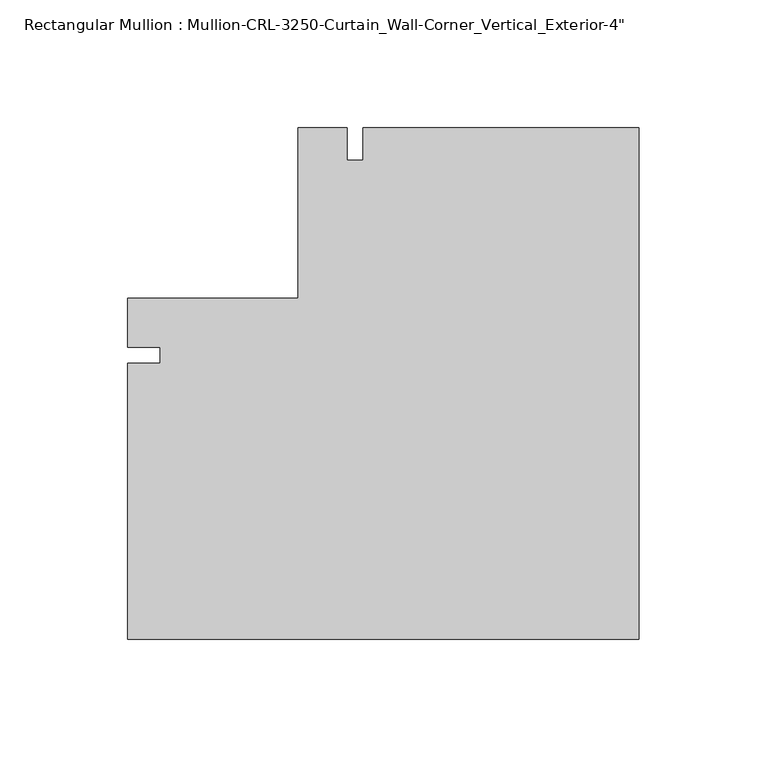
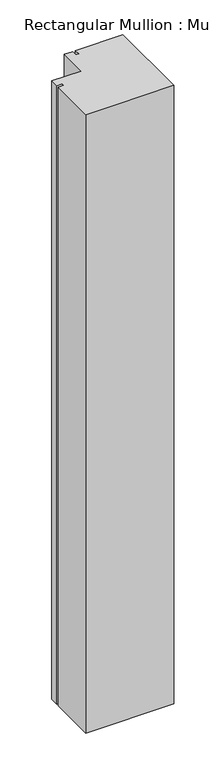
"""IFC4 building model written with IfcOpenShell, lengths in millimetres: member geometry."""

from ifc_helpers import new_model, si_unit, frame, origin, place, context, project, spatial, polyline, outline, extrude, source, transform, mapped, element, save


def member_411f262c(model_context):
    return source(origin(), model_context, "Body", "SweptSolid", [
        extrude(outline(polyline([(-200.0238258, 3.175), (-200.0238258, 22.2254168), (-133.3496929, 22.2254168), (-133.3496929, 88.9004137), (-114.2992762, 88.9004137), (-114.2992762, 76.2004137), (-107.9492762, 76.2004137), (-107.9492762, 88.9004137), (0.0, 88.9004137), (0.0, -111.1242762), (-200.0238258, -111.1242762), (-200.0238258, -3.175), (-187.3238258, -3.175), (-187.3238258, 3.175), (-200.0238258, 3.175)])), frame((0.0, 0.0, -1485.9), z_axis=(0.0, 0.0, 1.0), x_axis=(1.0, 0.0, 0.0)), (0.0, 0.0, 1.0), 1485.9),
    ])


if __name__ == "__main__":
    model = new_model("IFC4")
    model_context = context("Model", 3, world=origin())
    ifc_project = project(units=[si_unit("LENGTHUNIT", "METRE", prefix="MILLI")], contexts=[model_context])
    site = spatial("IfcSite", under=ifc_project)
    building = spatial("IfcBuilding", under=site)
    placement = place(None, origin())
    member_shape = member_411f262c(model_context)
    element("IfcMember", 1, ObjectType="Rectangular Mullion : Mullion-CRL-3250-Curtain_Wall-Corner_Vertical_Exterior-4\"", at=placement, inside=building, context=model_context, shape_type="MappedRepresentation", body=[
        mapped(member_shape, transform((0.0, 0.0, 0.0), x_axis=(1.0, 0.0, 0.0), y_axis=(0.0, 1.0, 0.0), z_axis=(0.0, 0.0, 1.0))),
    ])
    save(model, "model.ifc")
